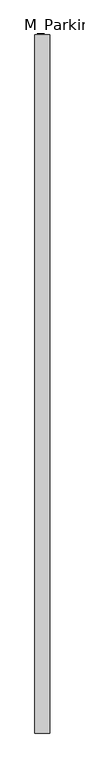
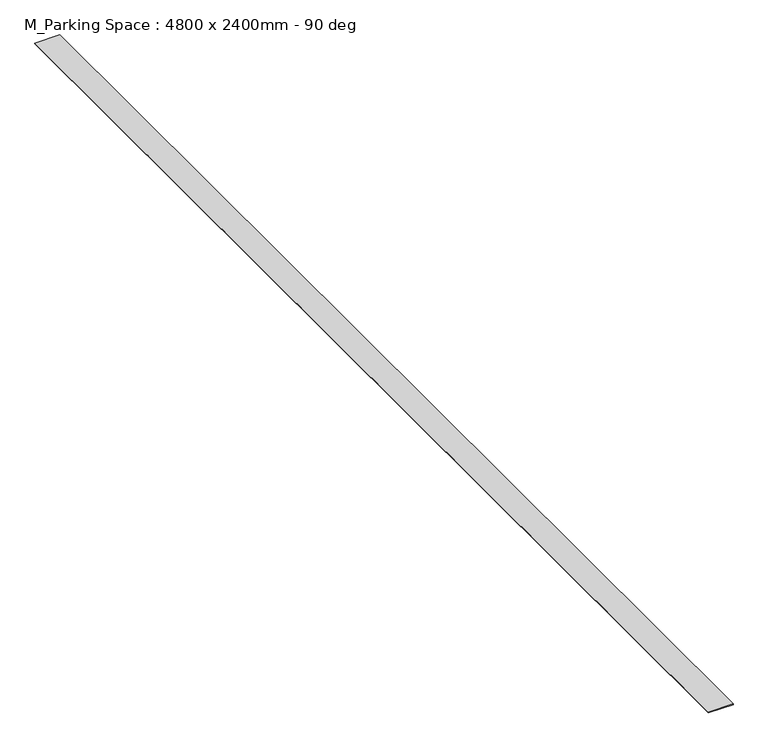
"""IFC4 building model written with IfcOpenShell, lengths in millimetres: proxy geometry, M_Parking Space : 4800 x 2400mm - 90 deg."""

import ifcopenshell
import ifcopenshell.guid

model = None  # the IFC model being written
_history = None  # IfcOwnerHistory: only IFC2X3 demands one
_inside = {}  # id of a spatial element -> (the spatial element, [elements in it])
_under = {}  # id of a project, library or spatial element -> (it, [spatial elements below it])
_declared = {}  # id of a project -> (the project, [libraries it declares])
_typed = {}  # id of a type object -> (the type object, [elements of that type])
_made_of = {}  # id of a material, layer set ... -> (it, [elements and type objects made of it])


def new_model(schema):
    """Start an empty IFC model of exactly this schema.

    Asked for "IFC4X3", IfcOpenShell would pick the latest addendum, in which some entities
    have other attributes; the version numbers below select the first issue.
    IFC2X3 requires an IfcOwnerHistory on every rooted entity: one is made here for all.
    """
    global model, _history
    if schema == "IFC4X3":
        model = ifcopenshell.file(schema_version=(4, 3, 0, 0))
    else:
        model = ifcopenshell.file(schema=schema)
    _inside.clear()
    _under.clear()
    _declared.clear()
    _typed.clear()
    _made_of.clear()
    _history = None
    if model.schema == "IFC2X3":
        org = make("IfcOrganization", Name="unknown")
        user = make(
            "IfcPersonAndOrganization",
            ThePerson=make("IfcPerson", FamilyName="unknown"),
            TheOrganization=org,
        )
        app = make(
            "IfcApplication",
            ApplicationDeveloper=org,
            Version="unknown",
            ApplicationFullName="unknown",
            ApplicationIdentifier="unknown",
        )
        _history = make(
            "IfcOwnerHistory",
            OwningUser=user,
            OwningApplication=app,
            ChangeAction="ADDED",
            CreationDate=0,
        )
    return model


def make(cls, **values):
    """One entity of the class cls with the attributes given. An attribute that is None is left unset."""
    return model.create_entity(
        cls, **{name: value for name, value in values.items() if value is not None}
    )


def rooted(cls, **values):
    """An entity with a GlobalId (a new one), such as an element, a storey or a relation."""
    return make(cls, GlobalId=ifcopenshell.guid.new(), OwnerHistory=_history, **values)


def si_unit(unit_type, name, prefix=None):
    """IfcSIUnit, for example si_unit("LENGTHUNIT", "METRE", prefix="MILLI")."""
    return make("IfcSIUnit", UnitType=unit_type, Prefix=prefix, Name=name)


def assignment(units):
    """IfcUnitAssignment: the units of a project."""
    return None if units is None else make("IfcUnitAssignment", Units=units)


def point(xyz):
    """IfcCartesianPoint."""
    return None if xyz is None else make("IfcCartesianPoint", Coordinates=xyz)


def direction(xyz):
    """IfcDirection."""
    return None if xyz is None else make("IfcDirection", DirectionRatios=xyz)


def frame(location, z_axis=None, x_axis=None):
    """IfcAxis2Placement3D, a coordinate frame: its origin and axes. An axis left out is left unset."""
    return make(
        "IfcAxis2Placement3D",
        Location=point(location),
        Axis=direction(z_axis),
        RefDirection=direction(x_axis),
    )


def origin():
    """The frame at (0, 0, 0) with its axes left unset."""
    return frame((0.0, 0.0, 0.0))


def origin_with_axes():
    """The frame at (0, 0, 0) with the z axis (0, 0, 1) and the x axis (1, 0, 0) written out."""
    return frame((0.0, 0.0, 0.0), z_axis=(0.0, 0.0, 1.0), x_axis=(1.0, 0.0, 0.0))


def place(relative_to, where):
    """IfcLocalPlacement: puts the frame where relative to a parent placement (None: the world)."""
    return make(
        "IfcLocalPlacement", PlacementRelTo=relative_to, RelativePlacement=where
    )


def context(
    kind, dimensions, precision=None, world=None, true_north=None, identifier=None
):
    """IfcGeometricRepresentationContext, for example the 3D "Model" context."""
    return make(
        "IfcGeometricRepresentationContext",
        ContextIdentifier=identifier,
        ContextType=kind,
        CoordinateSpaceDimension=dimensions,
        Precision=precision,
        WorldCoordinateSystem=world,
        TrueNorth=true_north,
    )


def project(units=None, contexts=None):
    """IfcProject with its units and contexts."""
    return rooted(
        "IfcProject",
        Name="project",
        RepresentationContexts=contexts,
        UnitsInContext=assignment(units),
    )


def spatial(cls, under=None, at=None, **own):
    """A site, building, storey or space (cls), placed at a placement, below another one or the project."""
    s = rooted(cls, ObjectPlacement=at, **own)
    if under is not None:
        _under.setdefault(under.id(), (under, []))[1].append(s)
    return s


def polyline(points):
    """IfcPolyline through the points."""
    return make("IfcPolyline", Points=[point(p) for p in points])


def outline(outer, holes=None, kind="AREA"):
    """IfcArbitraryClosedProfileDef: a profile drawn as a closed curve; with holes, ...WithVoids."""
    if holes is None:
        return make("IfcArbitraryClosedProfileDef", ProfileType=kind, OuterCurve=outer)
    return make(
        "IfcArbitraryProfileDefWithVoids",
        ProfileType=kind,
        OuterCurve=outer,
        InnerCurves=holes,
    )


def extrude(swept, where, along, depth):
    """IfcExtrudedAreaSolid: the profile swept, set in the frame where, extruded along a direction by depth."""
    return make(
        "IfcExtrudedAreaSolid",
        SweptArea=swept,
        Position=where,
        ExtrudedDirection=direction(along),
        Depth=depth,
    )


def shape(context_of_items, identifier, shape_type, items):
    """IfcShapeRepresentation: the items that make up one representation, for example the "Body"."""
    return make(
        "IfcShapeRepresentation",
        ContextOfItems=context_of_items,
        RepresentationIdentifier=identifier,
        RepresentationType=shape_type,
        Items=items,
    )


def source(mapping_origin, context_of_items, identifier, shape_type, items):
    """IfcRepresentationMap: a shape defined once, which mapped items show again and again."""
    return make(
        "IfcRepresentationMap",
        MappingOrigin=mapping_origin,
        MappedRepresentation=shape(context_of_items, identifier, shape_type, items),
    )


def transform(
    local_origin,
    x_axis=None,
    y_axis=None,
    z_axis=None,
    scale=None,
    scale2=None,
    scale3=None,
    uniform=True,
):
    """IfcCartesianTransformationOperator3D, or its non-uniform kind. x_axis, y_axis, z_axis: its Axis1, 2, 3."""
    if uniform:
        return make(
            "IfcCartesianTransformationOperator3D",
            Axis1=direction(x_axis),
            Axis2=direction(y_axis),
            LocalOrigin=point(local_origin),
            Scale=scale,
            Axis3=direction(z_axis),
        )
    return make(
        "IfcCartesianTransformationOperator3DnonUniform",
        Axis1=direction(x_axis),
        Axis2=direction(y_axis),
        LocalOrigin=point(local_origin),
        Scale=scale,
        Axis3=direction(z_axis),
        Scale2=scale2,
        Scale3=scale3,
    )


def mapped(mapping_source, mapping_target):
    """IfcMappedItem: shows the shape of a source again, moved by a transform."""
    return make(
        "IfcMappedItem", MappingSource=mapping_source, MappingTarget=mapping_target
    )


def made_of(thing, what):
    """Note that an element or type object is made of a material, layer set ...; save() writes the relation."""
    if what is not None:
        _made_of.setdefault(what.id(), (what, []))[1].append(thing)
    return thing


def element(
    cls,
    number,
    at=None,
    inside=None,
    cuts=None,
    type_object=None,
    material=None,
    context=None,
    identifier="Body",
    shape_type=None,
    held_by="IfcProductDefinitionShape",
    body=None,
    shapes=None,
    **own,
):
    """One element of the class cls, such as IfcWall. Its Tag is "e" and its number.

    at: its placement. inside: the storey or other place that contains it. cuts: it is an
    opening in that element (IfcRelVoidsElement). A single representation is given by context,
    identifier, shape_type and body (its items); several are given by shapes. held_by: the class
    of the entity that holds the representations. save() writes the other relations.
    """
    e = rooted(cls, Tag="e%d" % number, ObjectPlacement=at, **own)
    if body is not None:
        shapes = [shape(context, identifier, shape_type, body)]
    if shapes is not None:
        e.Representation = make(held_by, Representations=shapes)
    if inside is not None:
        _inside.setdefault(inside.id(), (inside, []))[1].append(e)
    if cuts is not None:
        rooted(
            "IfcRelVoidsElement", RelatingBuildingElement=cuts, RelatedOpeningElement=e
        )
    if type_object is not None:
        _typed.setdefault(type_object.id(), (type_object, []))[1].append(e)
    return made_of(e, material)


def aggregate(whole, parts):
    """IfcRelAggregates: a whole, such as a stair, and the parts it consists of."""
    return rooted("IfcRelAggregates", RelatingObject=whole, RelatedObjects=parts)


def save(model, path):
    """Write the relations noted so far, then the file.

    IfcRelAggregates (storeys below a building ...), IfcRelContainedInSpatialStructure (elements
    in a storey), IfcRelDefinesByType, IfcRelAssociatesMaterial and IfcRelDeclares: one each for
    every whole, place, type object, material and project.
    """
    for whole, parts in _under.values():
        aggregate(whole, parts)
    for where, things in _inside.values():
        rooted(
            "IfcRelContainedInSpatialStructure",
            RelatedElements=things,
            RelatingStructure=where,
        )
    for kind, things in _typed.values():
        rooted("IfcRelDefinesByType", RelatedObjects=things, RelatingType=kind)
    for what, things in _made_of.values():
        rooted("IfcRelAssociatesMaterial", RelatedObjects=things, RelatingMaterial=what)
    for by, libraries in _declared.values():
        rooted("IfcRelDeclares", RelatingContext=by, RelatedDefinitions=libraries)
    model.write(path)


def m_parking_space_4800_x_2400mm_90_deg_2b7ae786(model_context):
    return source(origin(), model_context, "Body", "SweptSolid", [
        extrude(outline(polyline([(-50.8, 0.0), (50.8, 0.0), (50.8, -4800.0), (-50.8, -4800.0), (-50.8, 0.0)])), origin_with_axes(), (0.0, 0.0, 1.0), 3.175),
    ])


if __name__ == "__main__":
    model = new_model("IFC4")
    model_context = context("Model", 3, world=origin())
    ifc_project = project(units=[si_unit("LENGTHUNIT", "METRE", prefix="MILLI")], contexts=[model_context])
    site = spatial("IfcSite", under=ifc_project)
    building = spatial("IfcBuilding", under=site)
    placement = place(None, origin())
    m_parking_space_4800_x_2400mm_90_deg_shape = m_parking_space_4800_x_2400mm_90_deg_2b7ae786(model_context)
    element("IfcBuildingElementProxy", 1, Name="M_Parking Space : 4800 x 2400mm - 90 deg", ObjectType="M_Parking Space : 4800 x 2400mm - 90 deg", at=placement, inside=building, context=model_context, shape_type="MappedRepresentation", body=[
        mapped(m_parking_space_4800_x_2400mm_90_deg_shape, transform((0.0, 0.0, 0.0), x_axis=(1.0, 0.0, 0.0), y_axis=(0.0, 1.0, 0.0), z_axis=(0.0, 0.0, 1.0))),
    ])
    save(model, "model.ifc")
